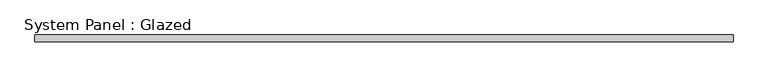
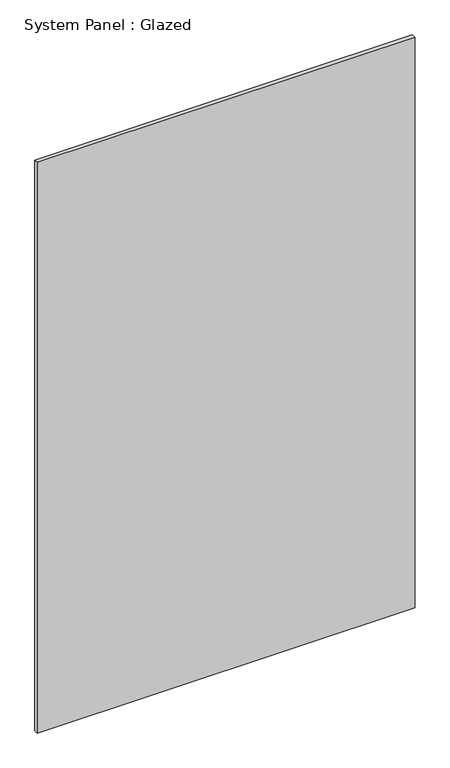
"""IFC4 building model written with IfcOpenShell, lengths in millimetres: plate geometry, System Panel : Glazed."""

from ifc_helpers import new_model, si_unit, origin, origin_with_axes, place, context, project, spatial, polyline, outline, extrude, source, transform, mapped, element, save


def system_panel_glazed_6f73e2cc(model_context):
    return source(origin(), model_context, "Body", "SweptSolid", [
        extrude(outline(polyline([(1257.5000085, -49.5), (-1257.5000085, -49.5), (-1257.5000085, -24.5), (1257.5000085, -24.5), (1257.5000085, -49.5)])), origin_with_axes(), (0.0, 0.0, 1.0), 4015.0),
    ])


if __name__ == "__main__":
    model = new_model("IFC4")
    model_context = context("Model", 3, world=origin())
    ifc_project = project(units=[si_unit("LENGTHUNIT", "METRE", prefix="MILLI")], contexts=[model_context])
    site = spatial("IfcSite", under=ifc_project)
    building = spatial("IfcBuilding", under=site)
    placement = place(None, origin())
    system_panel_glazed_shape = system_panel_glazed_6f73e2cc(model_context)
    element("IfcPlate", 1, ObjectType="System Panel : Glazed", at=placement, inside=building, context=model_context, shape_type="MappedRepresentation", body=[
        mapped(system_panel_glazed_shape, transform((0.0, 0.0, 0.0), x_axis=(1.0, 0.0, 0.0), y_axis=(0.0, 1.0, 0.0), z_axis=(0.0, 0.0, 1.0))),
    ])
    save(model, "model.ifc")
